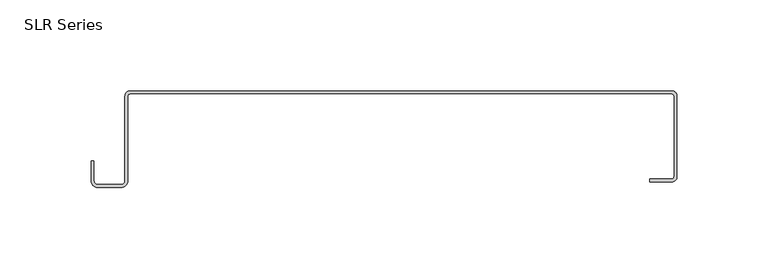
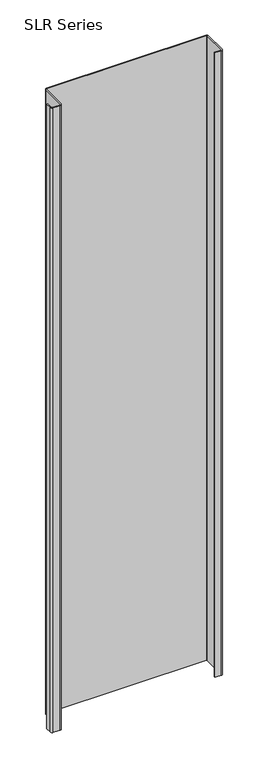
"""IFC4 building model written with IfcOpenShell, lengths in millimetres: plate geometry, SLR Series."""

from ifc_helpers import new_model, si_unit, point, frame_2d, origin, origin_with_axes, place, context, project, spatial, polyline, circle_curve, trimmed, segment, composite_curve, outline, extrude, source, transform, mapped, element, save


def slr_series_93bcea94(model_context):
    return source(origin(), model_context, "Body", "SweptSolid", [
        extrude(outline(composite_curve([segment(polyline([(149.7262298, -1.6177343), (-147.9387298, -1.6177343)]), True, "CONTINUOUS"), segment(trimmed(circle_curve(frame_2d((-147.9387298, -2.7737702)), 1.1560358), [point((-147.9387298, -1.6177343))], [point((-149.0947657, -2.7737702))], True, "CARTESIAN"), True, "CONTINUOUS"), segment(polyline([(-149.0947657, -2.7737702), (-149.0947657, -49.4804807)]), True, "CONTINUOUS"), segment(trimmed(circle_curve(frame_2d((-152.7704585, -49.4804807)), 3.6756929), [point((-149.0947657, -49.4804807))], [point((-152.7704585, -53.1561736))], False, "CARTESIAN"), True, "CONTINUOUS"), segment(polyline([(-152.7704585, -53.1561736), (-165.6550683, -53.1561736)]), True, "CONTINUOUS"), segment(trimmed(circle_curve(frame_2d((-165.6550683, -49.4804807)), 3.6756929), [point((-165.6550683, -53.1561736))], [point((-169.3307612, -49.4804807))], False, "CARTESIAN"), True, "CONTINUOUS"), segment(polyline([(-169.3307612, -49.4804807), (-169.3307612, -38.6538294), (-167.7130268, -38.6538294), (-167.7130268, -49.4804807)]), True, "CONTINUOUS"), segment(trimmed(circle_curve(frame_2d((-165.6550683, -49.4804807)), 2.0579585), [point((-167.7130268, -49.4804807))], [point((-165.6550683, -51.5384393))], True, "CARTESIAN"), True, "CONTINUOUS"), segment(polyline([(-165.6550683, -51.5384393), (-152.7704585, -51.5384393)]), True, "CONTINUOUS"), segment(trimmed(circle_curve(frame_2d((-152.7704585, -49.4804807)), 2.0579585), [point((-152.7704585, -51.5384393))], [point((-150.7125, -49.4804807))], True, "CARTESIAN"), True, "CONTINUOUS"), segment(polyline([(-150.7125, -49.4804807), (-150.7125, -2.7737702)]), True, "CONTINUOUS"), segment(trimmed(circle_curve(frame_2d((-147.9387298, -2.7737702)), 2.7737702), [point((-150.7125, -2.7737702))], [point((-147.9387298, 0.0))], False, "CARTESIAN"), True, "CONTINUOUS"), segment(polyline([(-147.9387298, 0.0), (149.7262298, 0.0)]), True, "CONTINUOUS"), segment(trimmed(circle_curve(frame_2d((149.7262298, -2.7737702)), 2.7737702), [point((149.7262298, 0.0))], [point((152.5, -2.7737702))], False, "CARTESIAN"), True, "CONTINUOUS"), segment(polyline([(152.5, -2.7737702), (152.5, -47.2670942)]), True, "CONTINUOUS"), segment(trimmed(circle_curve(frame_2d((149.7262298, -47.2670942)), 2.7737702), [point((152.5, -47.2670942))], [point((149.7262298, -50.0408643))], False, "CARTESIAN"), True, "CONTINUOUS"), segment(polyline([(149.7262298, -50.0408643), (137.6469081, -50.0408643), (137.6469081, -48.42313), (149.7262298, -48.42313)]), True, "CONTINUOUS"), segment(trimmed(circle_curve(frame_2d((149.7262298, -47.2670942)), 1.1560358), [point((149.7262298, -48.42313))], [point((150.8822657, -47.2670942))], True, "CARTESIAN"), True, "CONTINUOUS"), segment(polyline([(150.8822657, -47.2670942), (150.8822657, -2.7737702)]), True, "CONTINUOUS"), segment(trimmed(circle_curve(frame_2d((149.7262298, -2.7737702)), 1.1560358), [point((150.8822657, -2.7737702))], [point((149.7262298, -1.6177343))], True, "CARTESIAN"), True, "CONTINUOUS")], self_intersect=False)), origin_with_axes(), (0.0, 0.0, 1.0), 1228.3559792),
    ])


if __name__ == "__main__":
    model = new_model("IFC4")
    model_context = context("Model", 3, world=origin())
    ifc_project = project(units=[si_unit("LENGTHUNIT", "METRE", prefix="MILLI")], contexts=[model_context])
    site = spatial("IfcSite", under=ifc_project)
    building = spatial("IfcBuilding", under=site)
    placement = place(None, origin())
    slr_series_shape = slr_series_93bcea94(model_context)
    element("IfcPlate", 1, ObjectType="SLR Series", at=placement, inside=building, context=model_context, shape_type="MappedRepresentation", body=[
        mapped(slr_series_shape, transform((0.0, 0.0, 0.0), x_axis=(1.0, 0.0, 0.0), y_axis=(0.0, 1.0, 0.0), z_axis=(0.0, 0.0, 1.0))),
    ])
    save(model, "model.ifc")
